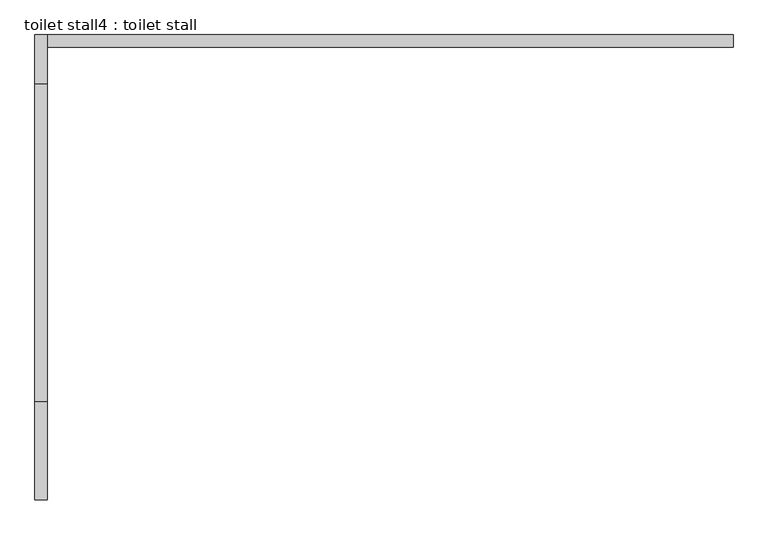
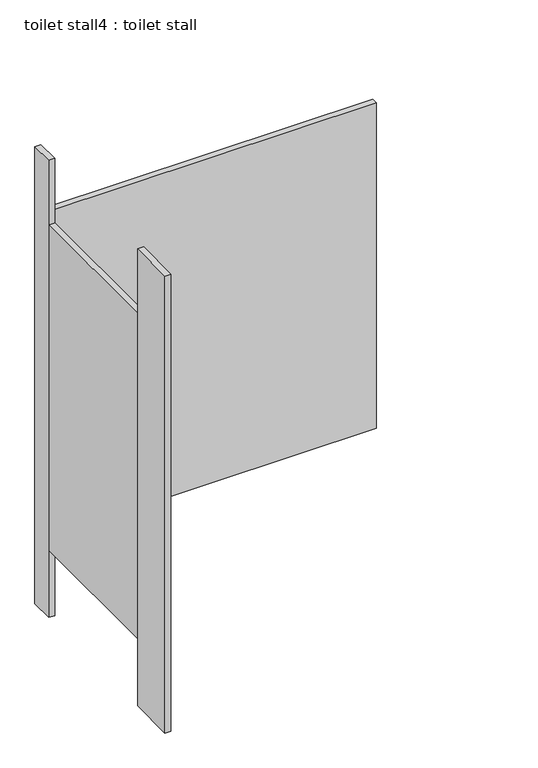
"""IFC4 building model written with IfcOpenShell, lengths in millimetres: proxy geometry, toilet stall4 : toilet stall."""

from ifc_helpers import new_model, si_unit, frame, origin, origin_with_axes, place, context, project, spatial, polyline, outline, extrude, source, transform, mapped, element, save


def toilet_stall4_toilet_stall_4142be9b(model_context):
    return source(origin(), model_context, "Body", "SweptSolid", [
        extrude(outline(polyline([(457706.2004676, -329207.0330223), (457706.2004676, -329410.2330223), (457680.8004676, -329410.2330223), (457680.8004676, -329207.0330223), (457706.2004676, -329207.0330223)])), origin_with_axes(), (0.0, 0.0, 1.0), 2070.1),
        extrude(outline(polyline([(457706.2004676, -328445.0330223), (457706.2004676, -328546.6330223), (457680.8004676, -328546.6330223), (457680.8004676, -328445.0330223), (457706.2004676, -328445.0330223)])), origin_with_axes(), (0.0, 0.0, 1.0), 2070.1),
        extrude(outline(polyline([(457706.2004676, -328445.0330223), (459128.6004676, -328445.0330223), (459128.6004676, -328470.4330223), (457706.2004676, -328470.4330223), (457706.2004676, -328445.0330223)])), frame((0.0, 0.0, 304.8), z_axis=(0.0, 0.0, 1.0), x_axis=(1.0, 0.0, 0.0)), (0.0, 0.0, 1.0), 1473.2),
        extrude(outline(polyline([(457706.2004676, -328546.6330223), (457706.2004676, -329207.0330223), (457680.8004676, -329207.0330223), (457680.8004676, -328546.6330223), (457706.2004676, -328546.6330223)])), frame((0.0, 0.0, 304.8), z_axis=(0.0, 0.0, 1.0), x_axis=(1.0, 0.0, 0.0)), (0.0, 0.0, 1.0), 1473.2),
    ])


if __name__ == "__main__":
    model = new_model("IFC4")
    model_context = context("Model", 3, world=origin())
    ifc_project = project(units=[si_unit("LENGTHUNIT", "METRE", prefix="MILLI")], contexts=[model_context])
    site = spatial("IfcSite", under=ifc_project)
    building = spatial("IfcBuilding", under=site)
    placement = place(None, origin())
    toilet_stall4_toilet_stall_shape = toilet_stall4_toilet_stall_4142be9b(model_context)
    element("IfcBuildingElementProxy", 1, Name="toilet stall4 : toilet stall", ObjectType="toilet stall4 : toilet stall", at=placement, inside=building, context=model_context, shape_type="MappedRepresentation", body=[
        mapped(toilet_stall4_toilet_stall_shape, transform((0.0, 0.0, 0.0), x_axis=(1.0, 0.0, 0.0), y_axis=(0.0, 1.0, 0.0), z_axis=(0.0, 0.0, 1.0))),
    ])
    save(model, "model.ifc")
